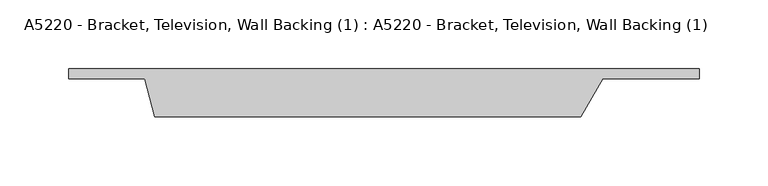
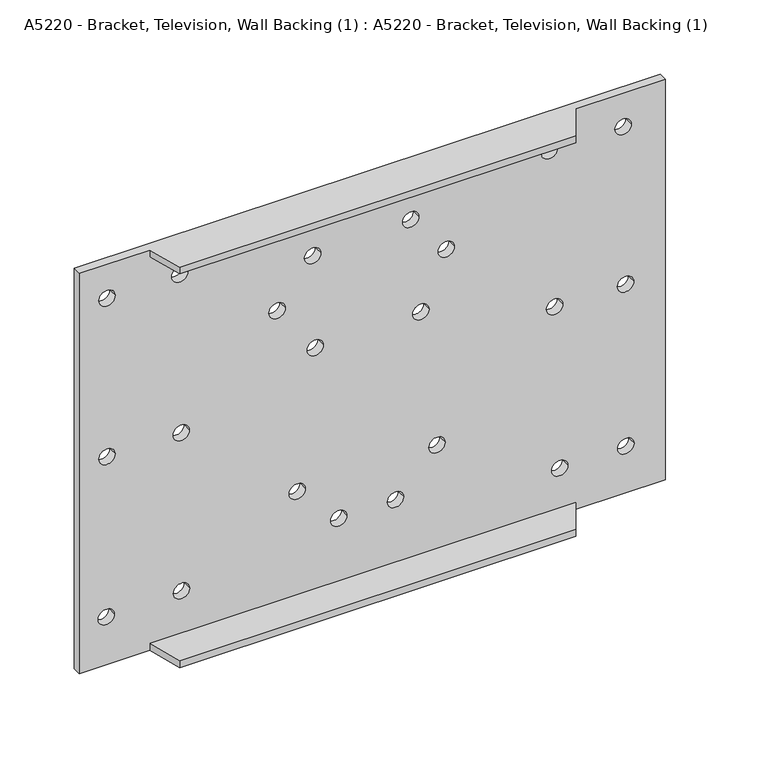
"""IFC4 building model written with IfcOpenShell, lengths in millimetres: proxy geometry, A5220 - Bracket, Television, Wall Backing (1) : A5220 - Bracket, Television, Wall Backing (1)."""

from ifc_helpers import new_model, si_unit, frame, origin, place, context, project, spatial, polyline, circle_curve, source, transform, mapped, element, save
from ifc_brep_helpers import plane_surface, revolved_surface, advanced_brep


def a5220_bracket_television_wall_backing_1_a5220_bracket_9e32a365(model_context):
    return source(origin(), model_context, "Body", "AdvancedBrep", [
        advanced_brep(
        [(228.6, 12.7, 330.2), (-228.6, 12.7, 330.2), (-228.6, 5.5485585, 330.2), (-173.6756868, 5.5485585, 330.2), (-166.3080736, -21.9477481, 330.2), (142.875, -21.9477481, 330.2), (158.75, 5.5485585, 330.2), (228.6, 5.5485585, 330.2), (-228.6, 12.7, 0.0), (228.6, 12.7, 0.0), (228.6, 5.5485585, 0.0), (158.75, 5.5485585, 0.0), (142.875, -21.9477481, 0.0), (-166.3080736, -21.9477481, 0.0), (-173.6756868, 5.5485585, 0.0), (-228.6, 5.5485585, 0.0), (-213.3355963, 12.7, 302.1911266), (-200.6355963, 12.7, 302.1911266), (-156.5770582, 12.7, 302.0248022), (-143.8770582, 12.7, 302.0248022), (-213.3355963, 12.7, 171.5144924), (-200.6355963, 12.7, 171.5144924), (-155.3549178, 12.7, 170.8545094), (-142.6549178, 12.7, 170.8545094), (-213.9955793, 12.7, 39.5178922), (-201.2955793, 12.7, 39.5178922), (-155.2570922, 12.7, 40.4220341), (-142.5570922, 12.7, 40.4220341), (-80.679013, 12.7, 245.4325885), (-67.979013, 12.7, 245.4325885), (-52.959727, 12.7, 281.0716706), (-40.259727, 12.7, 281.0716706), (-50.979778, 12.7, 204.5136425), (-38.279778, 12.7, 204.5136425), (23.5983011, 12.7, 284.1073683), (36.2983011, 12.7, 284.1073683), (51.3175872, 12.7, 249.9264032), (64.0175872, 12.7, 249.9264032), (31.5180972, 12.7, 205.1736255), (44.2180972, 12.7, 205.1736255), (44.0577742, 12.7, 90.9965663), (56.7577742, 12.7, 90.9965663), (11.7186071, 12.7, 57.3374332), (24.4186071, 12.7, 57.3374332), (-32.500254, 12.7, 57.3374332), (-19.800254, 12.7, 57.3374332), (-64.999744, 12.7, 90.8545562), (-52.299744, 12.7, 90.8545562), (139.7553093, 12.7, 38.4729292), (152.4553093, 12.7, 38.4729292), (191.3943064, 12.7, 38.5706497), (204.0943064, 12.7, 38.5706497), (191.1444764, 12.7, 172.1744754), (203.8444764, 12.7, 172.1744754), (135.7954113, 12.7, 172.8344584), (148.4954113, 12.7, 172.8344584), (189.2540344, 12.7, 302.606619), (201.9540344, 12.7, 302.606619), (131.8355133, 12.7, 302.8511096), (144.5355133, 12.7, 302.8511096), (-173.6756868, 5.5485585, 5.7859487), (158.75, 5.5485585, 5.7859487), (158.75, 5.5485585, 324.6987888), (-173.6756868, 5.5485585, 324.6987888), (-200.6355963, 5.5485585, 302.1911266), (-213.3355963, 5.5485585, 302.1911266), (-143.8770582, 5.5485585, 302.0248022), (-156.5770582, 5.5485585, 302.0248022), (-200.6355963, 5.5485585, 171.5144924), (-213.3355963, 5.5485585, 171.5144924), (-142.6549178, 5.5485585, 170.8545094), (-155.3549178, 5.5485585, 170.8545094), (-201.2955793, 5.5485585, 39.5178922), (-213.9955793, 5.5485585, 39.5178922), (-142.5570922, 5.5485585, 40.4220341), (-155.2570922, 5.5485585, 40.4220341), (-67.979013, 5.5485585, 245.4325885), (-80.679013, 5.5485585, 245.4325885), (-40.259727, 5.5485585, 281.0716706), (-52.959727, 5.5485585, 281.0716706), (-38.279778, 5.5485585, 204.5136425), (-50.979778, 5.5485585, 204.5136425), (36.2983011, 5.5485585, 284.1073683), (23.5983011, 5.5485585, 284.1073683), (64.0175872, 5.5485585, 249.9264032), (51.3175872, 5.5485585, 249.9264032), (44.2180972, 5.5485585, 205.1736255), (31.5180972, 5.5485585, 205.1736255), (56.7577742, 5.5485585, 90.9965663), (44.0577742, 5.5485585, 90.9965663), (24.4186071, 5.5485585, 57.3374332), (11.7186071, 5.5485585, 57.3374332), (-19.800254, 5.5485585, 57.3374332), (-32.500254, 5.5485585, 57.3374332), (-52.299744, 5.5485585, 90.8545562), (-64.999744, 5.5485585, 90.8545562), (152.4553093, 5.5485585, 38.4729292), (139.7553093, 5.5485585, 38.4729292), (204.0943064, 5.5485585, 38.5706497), (191.3943064, 5.5485585, 38.5706497), (203.8444764, 5.5485585, 172.1744754), (191.1444764, 5.5485585, 172.1744754), (148.4954113, 5.5485585, 172.8344584), (135.7954113, 5.5485585, 172.8344584), (201.9540344, 5.5485585, 302.606619), (189.2540344, 5.5485585, 302.606619), (144.5355133, 5.5485585, 302.8511096), (131.8355133, 5.5485585, 302.8511096), (142.875, -21.9477481, 324.6987888), (-166.3080736, -21.9477481, 324.6987888), (142.875, -21.9477481, 5.7859487), (-166.3080736, -21.9477481, 5.7859487)],
        [
            (0, 1),
            (1, 2),
            (2, 3),
            (3, 4),
            (4, 5),
            (5, 6),
            (6, 7),
            (7, 0),
            (8, 9),
            (9, 10),
            (10, 11),
            (11, 12),
            (12, 13),
            (13, 14),
            (14, 15),
            (15, 8),
            (1, 8),
            (15, 2),
            (9, 0),
            (7, 10),
            (16, 17, circle_curve(frame((-206.9855963, 12.7, 302.1911266), z_axis=(0.0, -1.0, 0.0), x_axis=(1.0, 0.0, 0.0)), 6.35)),
            (17, 16, circle_curve(frame((-206.9855963, 12.7, 302.1911266), z_axis=(0.0, -1.0, 0.0), x_axis=(1.0, 0.0, 0.0)), 6.35)),
            (18, 19, circle_curve(frame((-150.2270582, 12.7, 302.0248022), z_axis=(0.0, -1.0, 0.0), x_axis=(1.0, 0.0, 0.0)), 6.35)),
            (19, 18, circle_curve(frame((-150.2270582, 12.7, 302.0248022), z_axis=(0.0, -1.0, 0.0), x_axis=(1.0, 0.0, 0.0)), 6.35)),
            (20, 21, circle_curve(frame((-206.9855963, 12.7, 171.5144924), z_axis=(0.0, -1.0, 0.0), x_axis=(1.0, 0.0, 0.0)), 6.35)),
            (21, 20, circle_curve(frame((-206.9855963, 12.7, 171.5144924), z_axis=(0.0, -1.0, 0.0), x_axis=(1.0, 0.0, 0.0)), 6.35)),
            (22, 23, circle_curve(frame((-149.0049178, 12.7, 170.8545094), z_axis=(0.0, -1.0, 0.0), x_axis=(1.0, 0.0, 0.0)), 6.35)),
            (23, 22, circle_curve(frame((-149.0049178, 12.7, 170.8545094), z_axis=(0.0, -1.0, 0.0), x_axis=(1.0, 0.0, 0.0)), 6.35)),
            (24, 25, circle_curve(frame((-207.6455793, 12.7, 39.5178922), z_axis=(0.0, -1.0, 0.0), x_axis=(1.0, 0.0, 0.0)), 6.35)),
            (25, 24, circle_curve(frame((-207.6455793, 12.7, 39.5178922), z_axis=(0.0, -1.0, 0.0), x_axis=(1.0, 0.0, 0.0)), 6.35)),
            (26, 27, circle_curve(frame((-148.9070922, 12.7, 40.4220341), z_axis=(0.0, -1.0, 0.0), x_axis=(1.0, 0.0, 0.0)), 6.35)),
            (27, 26, circle_curve(frame((-148.9070922, 12.7, 40.4220341), z_axis=(0.0, -1.0, 0.0), x_axis=(1.0, 0.0, 0.0)), 6.35)),
            (28, 29, circle_curve(frame((-74.329013, 12.7, 245.4325885), z_axis=(0.0, -1.0, 0.0), x_axis=(1.0, 0.0, 0.0)), 6.35)),
            (29, 28, circle_curve(frame((-74.329013, 12.7, 245.4325885), z_axis=(0.0, -1.0, 0.0), x_axis=(1.0, 0.0, 0.0)), 6.35)),
            (30, 31, circle_curve(frame((-46.609727, 12.7, 281.0716706), z_axis=(0.0, -1.0, 0.0), x_axis=(1.0, 0.0, 0.0)), 6.35)),
            (31, 30, circle_curve(frame((-46.609727, 12.7, 281.0716706), z_axis=(0.0, -1.0, 0.0), x_axis=(1.0, 0.0, 0.0)), 6.35)),
            (32, 33, circle_curve(frame((-44.629778, 12.7, 204.5136425), z_axis=(0.0, -1.0, 0.0), x_axis=(1.0, 0.0, 0.0)), 6.35)),
            (33, 32, circle_curve(frame((-44.629778, 12.7, 204.5136425), z_axis=(0.0, -1.0, 0.0), x_axis=(1.0, 0.0, 0.0)), 6.35)),
            (34, 35, circle_curve(frame((29.9483011, 12.7, 284.1073683), z_axis=(0.0, -1.0, 0.0), x_axis=(1.0, 0.0, 0.0)), 6.35)),
            (35, 34, circle_curve(frame((29.9483011, 12.7, 284.1073683), z_axis=(0.0, -1.0, 0.0), x_axis=(1.0, 0.0, 0.0)), 6.35)),
            (36, 37, circle_curve(frame((57.6675872, 12.7, 249.9264032), z_axis=(0.0, -1.0, 0.0), x_axis=(1.0, 0.0, 0.0)), 6.35)),
            (37, 36, circle_curve(frame((57.6675872, 12.7, 249.9264032), z_axis=(0.0, -1.0, 0.0), x_axis=(1.0, 0.0, 0.0)), 6.35)),
            (38, 39, circle_curve(frame((37.8680972, 12.7, 205.1736255), z_axis=(0.0, -1.0, 0.0), x_axis=(1.0, 0.0, 0.0)), 6.35)),
            (39, 38, circle_curve(frame((37.8680972, 12.7, 205.1736255), z_axis=(0.0, -1.0, 0.0), x_axis=(1.0, 0.0, 0.0)), 6.35)),
            (40, 41, circle_curve(frame((50.4077742, 12.7, 90.9965663), z_axis=(0.0, -1.0, 0.0), x_axis=(1.0, 0.0, 0.0)), 6.35)),
            (41, 40, circle_curve(frame((50.4077742, 12.7, 90.9965663), z_axis=(0.0, -1.0, 0.0), x_axis=(1.0, 0.0, 0.0)), 6.35)),
            (42, 43, circle_curve(frame((18.0686071, 12.7, 57.3374332), z_axis=(0.0, -1.0, 0.0), x_axis=(1.0, 0.0, 0.0)), 6.35)),
            (43, 42, circle_curve(frame((18.0686071, 12.7, 57.3374332), z_axis=(0.0, -1.0, 0.0), x_axis=(1.0, 0.0, 0.0)), 6.35)),
            (44, 45, circle_curve(frame((-26.150254, 12.7, 57.3374332), z_axis=(0.0, -1.0, 0.0), x_axis=(1.0, 0.0, 0.0)), 6.35)),
            (45, 44, circle_curve(frame((-26.150254, 12.7, 57.3374332), z_axis=(0.0, -1.0, 0.0), x_axis=(1.0, 0.0, 0.0)), 6.35)),
            (46, 47, circle_curve(frame((-58.649744, 12.7, 90.8545562), z_axis=(0.0, -1.0, 0.0), x_axis=(1.0, 0.0, 0.0)), 6.35)),
            (47, 46, circle_curve(frame((-58.649744, 12.7, 90.8545562), z_axis=(0.0, -1.0, 0.0), x_axis=(1.0, 0.0, 0.0)), 6.35)),
            (48, 49, circle_curve(frame((146.1053093, 12.7, 38.4729292), z_axis=(0.0, -1.0, 0.0), x_axis=(1.0, 0.0, 0.0)), 6.35)),
            (49, 48, circle_curve(frame((146.1053093, 12.7, 38.4729292), z_axis=(0.0, -1.0, 0.0), x_axis=(1.0, 0.0, 0.0)), 6.35)),
            (50, 51, circle_curve(frame((197.7443064, 12.7, 38.5706497), z_axis=(0.0, -1.0, 0.0), x_axis=(1.0, 0.0, 0.0)), 6.35)),
            (51, 50, circle_curve(frame((197.7443064, 12.7, 38.5706497), z_axis=(0.0, -1.0, 0.0), x_axis=(1.0, 0.0, 0.0)), 6.35)),
            (52, 53, circle_curve(frame((197.4944764, 12.7, 172.1744754), z_axis=(0.0, -1.0, 0.0), x_axis=(1.0, 0.0, 0.0)), 6.35)),
            (53, 52, circle_curve(frame((197.4944764, 12.7, 172.1744754), z_axis=(0.0, -1.0, 0.0), x_axis=(1.0, 0.0, 0.0)), 6.35)),
            (54, 55, circle_curve(frame((142.1454113, 12.7, 172.8344584), z_axis=(0.0, -1.0, 0.0), x_axis=(1.0, 0.0, 0.0)), 6.35)),
            (55, 54, circle_curve(frame((142.1454113, 12.7, 172.8344584), z_axis=(0.0, -1.0, 0.0), x_axis=(1.0, 0.0, 0.0)), 6.35)),
            (56, 57, circle_curve(frame((195.6040344, 12.7, 302.606619), z_axis=(0.0, -1.0, 0.0), x_axis=(1.0, 0.0, 0.0)), 6.35)),
            (57, 56, circle_curve(frame((195.6040344, 12.7, 302.606619), z_axis=(0.0, -1.0, 0.0), x_axis=(1.0, 0.0, 0.0)), 6.35)),
            (58, 59, circle_curve(frame((138.1855133, 12.7, 302.8511096), z_axis=(0.0, -1.0, 0.0), x_axis=(1.0, 0.0, 0.0)), 6.35)),
            (59, 58, circle_curve(frame((138.1855133, 12.7, 302.8511096), z_axis=(0.0, -1.0, 0.0), x_axis=(1.0, 0.0, 0.0)), 6.35)),
            (14, 60),
            (60, 61),
            (61, 11),
            (6, 62),
            (62, 63),
            (63, 3),
            (64, 65, circle_curve(frame((-206.9855963, 5.5485585, 302.1911266), z_axis=(0.0, 1.0, 0.0), x_axis=(1.0, 0.0, 0.0)), 6.35)),
            (65, 64, circle_curve(frame((-206.9855963, 5.5485585, 302.1911266), z_axis=(0.0, 1.0, 0.0), x_axis=(1.0, 0.0, 0.0)), 6.35)),
            (66, 67, circle_curve(frame((-150.2270582, 5.5485585, 302.0248022), z_axis=(0.0, 1.0, 0.0), x_axis=(1.0, 0.0, 0.0)), 6.35)),
            (67, 66, circle_curve(frame((-150.2270582, 5.5485585, 302.0248022), z_axis=(0.0, 1.0, 0.0), x_axis=(1.0, 0.0, 0.0)), 6.35)),
            (68, 69, circle_curve(frame((-206.9855963, 5.5485585, 171.5144924), z_axis=(0.0, 1.0, 0.0), x_axis=(1.0, 0.0, 0.0)), 6.35)),
            (69, 68, circle_curve(frame((-206.9855963, 5.5485585, 171.5144924), z_axis=(0.0, 1.0, 0.0), x_axis=(1.0, 0.0, 0.0)), 6.35)),
            (70, 71, circle_curve(frame((-149.0049178, 5.5485585, 170.8545094), z_axis=(0.0, 1.0, 0.0), x_axis=(1.0, 0.0, 0.0)), 6.35)),
            (71, 70, circle_curve(frame((-149.0049178, 5.5485585, 170.8545094), z_axis=(0.0, 1.0, 0.0), x_axis=(1.0, 0.0, 0.0)), 6.35)),
            (72, 73, circle_curve(frame((-207.6455793, 5.5485585, 39.5178922), z_axis=(0.0, 1.0, 0.0), x_axis=(1.0, 0.0, 0.0)), 6.35)),
            (73, 72, circle_curve(frame((-207.6455793, 5.5485585, 39.5178922), z_axis=(0.0, 1.0, 0.0), x_axis=(1.0, 0.0, 0.0)), 6.35)),
            (74, 75, circle_curve(frame((-148.9070922, 5.5485585, 40.4220341), z_axis=(0.0, 1.0, 0.0), x_axis=(1.0, 0.0, 0.0)), 6.35)),
            (75, 74, circle_curve(frame((-148.9070922, 5.5485585, 40.4220341), z_axis=(0.0, 1.0, 0.0), x_axis=(1.0, 0.0, 0.0)), 6.35)),
            (76, 77, circle_curve(frame((-74.329013, 5.5485585, 245.4325885), z_axis=(0.0, 1.0, 0.0), x_axis=(1.0, 0.0, 0.0)), 6.35)),
            (77, 76, circle_curve(frame((-74.329013, 5.5485585, 245.4325885), z_axis=(0.0, 1.0, 0.0), x_axis=(1.0, 0.0, 0.0)), 6.35)),
            (78, 79, circle_curve(frame((-46.609727, 5.5485585, 281.0716706), z_axis=(0.0, 1.0, 0.0), x_axis=(1.0, 0.0, 0.0)), 6.35)),
            (79, 78, circle_curve(frame((-46.609727, 5.5485585, 281.0716706), z_axis=(0.0, 1.0, 0.0), x_axis=(1.0, 0.0, 0.0)), 6.35)),
            (80, 81, circle_curve(frame((-44.629778, 5.5485585, 204.5136425), z_axis=(0.0, 1.0, 0.0), x_axis=(1.0, 0.0, 0.0)), 6.35)),
            (81, 80, circle_curve(frame((-44.629778, 5.5485585, 204.5136425), z_axis=(0.0, 1.0, 0.0), x_axis=(1.0, 0.0, 0.0)), 6.35)),
            (82, 83, circle_curve(frame((29.9483011, 5.5485585, 284.1073683), z_axis=(0.0, 1.0, 0.0), x_axis=(1.0, 0.0, 0.0)), 6.35)),
            (83, 82, circle_curve(frame((29.9483011, 5.5485585, 284.1073683), z_axis=(0.0, 1.0, 0.0), x_axis=(1.0, 0.0, 0.0)), 6.35)),
            (84, 85, circle_curve(frame((57.6675872, 5.5485585, 249.9264032), z_axis=(0.0, 1.0, 0.0), x_axis=(1.0, 0.0, 0.0)), 6.35)),
            (85, 84, circle_curve(frame((57.6675872, 5.5485585, 249.9264032), z_axis=(0.0, 1.0, 0.0), x_axis=(1.0, 0.0, 0.0)), 6.35)),
            (86, 87, circle_curve(frame((37.8680972, 5.5485585, 205.1736255), z_axis=(0.0, 1.0, 0.0), x_axis=(1.0, 0.0, 0.0)), 6.35)),
            (87, 86, circle_curve(frame((37.8680972, 5.5485585, 205.1736255), z_axis=(0.0, 1.0, 0.0), x_axis=(1.0, 0.0, 0.0)), 6.35)),
            (88, 89, circle_curve(frame((50.4077742, 5.5485585, 90.9965663), z_axis=(0.0, 1.0, 0.0), x_axis=(1.0, 0.0, 0.0)), 6.35)),
            (89, 88, circle_curve(frame((50.4077742, 5.5485585, 90.9965663), z_axis=(0.0, 1.0, 0.0), x_axis=(1.0, 0.0, 0.0)), 6.35)),
            (90, 91, circle_curve(frame((18.0686071, 5.5485585, 57.3374332), z_axis=(0.0, 1.0, 0.0), x_axis=(1.0, 0.0, 0.0)), 6.35)),
            (91, 90, circle_curve(frame((18.0686071, 5.5485585, 57.3374332), z_axis=(0.0, 1.0, 0.0), x_axis=(1.0, 0.0, 0.0)), 6.35)),
            (92, 93, circle_curve(frame((-26.150254, 5.5485585, 57.3374332), z_axis=(0.0, 1.0, 0.0), x_axis=(1.0, 0.0, 0.0)), 6.35)),
            (93, 92, circle_curve(frame((-26.150254, 5.5485585, 57.3374332), z_axis=(0.0, 1.0, 0.0), x_axis=(1.0, 0.0, 0.0)), 6.35)),
            (94, 95, circle_curve(frame((-58.649744, 5.5485585, 90.8545562), z_axis=(0.0, 1.0, 0.0), x_axis=(1.0, 0.0, 0.0)), 6.35)),
            (95, 94, circle_curve(frame((-58.649744, 5.5485585, 90.8545562), z_axis=(0.0, 1.0, 0.0), x_axis=(1.0, 0.0, 0.0)), 6.35)),
            (96, 97, circle_curve(frame((146.1053093, 5.5485585, 38.4729292), z_axis=(0.0, 1.0, 0.0), x_axis=(1.0, 0.0, 0.0)), 6.35)),
            (97, 96, circle_curve(frame((146.1053093, 5.5485585, 38.4729292), z_axis=(0.0, 1.0, 0.0), x_axis=(1.0, 0.0, 0.0)), 6.35)),
            (98, 99, circle_curve(frame((197.7443064, 5.5485585, 38.5706497), z_axis=(0.0, 1.0, 0.0), x_axis=(1.0, 0.0, 0.0)), 6.35)),
            (99, 98, circle_curve(frame((197.7443064, 5.5485585, 38.5706497), z_axis=(0.0, 1.0, 0.0), x_axis=(1.0, 0.0, 0.0)), 6.35)),
            (100, 101, circle_curve(frame((197.4944764, 5.5485585, 172.1744754), z_axis=(0.0, 1.0, 0.0), x_axis=(1.0, 0.0, 0.0)), 6.35)),
            (101, 100, circle_curve(frame((197.4944764, 5.5485585, 172.1744754), z_axis=(0.0, 1.0, 0.0), x_axis=(1.0, 0.0, 0.0)), 6.35)),
            (102, 103, circle_curve(frame((142.1454113, 5.5485585, 172.8344584), z_axis=(0.0, 1.0, 0.0), x_axis=(1.0, 0.0, 0.0)), 6.35)),
            (103, 102, circle_curve(frame((142.1454113, 5.5485585, 172.8344584), z_axis=(0.0, 1.0, 0.0), x_axis=(1.0, 0.0, 0.0)), 6.35)),
            (104, 105, circle_curve(frame((195.6040344, 5.5485585, 302.606619), z_axis=(0.0, 1.0, 0.0), x_axis=(1.0, 0.0, 0.0)), 6.35)),
            (105, 104, circle_curve(frame((195.6040344, 5.5485585, 302.606619), z_axis=(0.0, 1.0, 0.0), x_axis=(1.0, 0.0, 0.0)), 6.35)),
            (106, 107, circle_curve(frame((138.1855133, 5.5485585, 302.8511096), z_axis=(0.0, 1.0, 0.0), x_axis=(1.0, 0.0, 0.0)), 6.35)),
            (107, 106, circle_curve(frame((138.1855133, 5.5485585, 302.8511096), z_axis=(0.0, 1.0, 0.0), x_axis=(1.0, 0.0, 0.0)), 6.35)),
            (16, 65),
            (64, 17),
            (18, 67),
            (66, 19),
            (20, 69),
            (68, 21),
            (22, 71),
            (70, 23),
            (24, 73),
            (72, 25),
            (26, 75),
            (74, 27),
            (28, 77),
            (76, 29),
            (30, 79),
            (78, 31),
            (32, 81),
            (80, 33),
            (34, 83),
            (82, 35),
            (36, 85),
            (84, 37),
            (38, 87),
            (86, 39),
            (40, 89),
            (88, 41),
            (42, 91),
            (90, 43),
            (44, 93),
            (92, 45),
            (46, 95),
            (94, 47),
            (48, 97),
            (96, 49),
            (50, 99),
            (98, 51),
            (52, 101),
            (100, 53),
            (54, 103),
            (102, 55),
            (56, 105),
            (104, 57),
            (58, 107),
            (106, 59),
            (108, 109),
            (109, 63),
            (62, 108),
            (5, 108),
            (109, 4),
            (110, 61),
            (60, 111),
            (111, 110),
            (110, 12),
            (13, 111),
        ],
        [
            plane_surface(frame((-228.6, 0.0, 330.2), z_axis=(0.0, 0.0, 1.0), x_axis=(0.0, -1.0, 0.0))),
            plane_surface(frame((-228.6, 0.0, 0.0), z_axis=(0.0, 0.0, -1.0), x_axis=(0.0, 1.0, 0.0))),
            plane_surface(frame((-228.6, 12.7, 330.2), z_axis=(-1.0, 0.0, 0.0), x_axis=(0.0, 0.0, -1.0))),
            plane_surface(frame((228.6, -12.7, 330.2), z_axis=(1.0, 0.0, 0.0), x_axis=(0.0, 0.0, -1.0))),
            plane_surface(frame((228.6, 12.7, 330.2), z_axis=(0.0, 1.0, 0.0), x_axis=(0.0, 0.0, -1.0))),
            plane_surface(frame((-228.6, 5.5485585, 330.2), z_axis=(0.0, -1.0, 0.0), x_axis=(1.0, 0.0, 0.0))),
            revolved_surface(polyline([(-200.6355963, 5.548558500000013, 302.1911266), (-200.6355963, 12.699999999999989, 302.1911266)]), (-206.9855963, 174.6255709, 302.1911266), (0.0, -1.0, 0.0)),
            revolved_surface(polyline([(-143.8770582, 5.5485585, 302.0248022), (-143.8770582, 12.7, 302.0248022)]), (-150.2270582, 0.0, 302.0248022), (0.0, -1.0, 0.0)),
            revolved_surface(polyline([(-200.6355963, 5.5485585, 171.5144924), (-200.6355963, 12.7, 171.5144924)]), (-206.9855963, 0.0, 171.5144924), (0.0, -1.0, 0.0)),
            revolved_surface(polyline([(-142.6549178, 5.5485585, 170.8545094), (-142.6549178, 12.7, 170.8545094)]), (-149.0049178, 0.0, 170.8545094), (0.0, -1.0, 0.0)),
            revolved_surface(polyline([(-201.2955793, 5.5485585, 39.5178922), (-201.2955793, 12.7, 39.5178922)]), (-207.6455793, 0.0, 39.5178922), (0.0, -1.0, 0.0)),
            revolved_surface(polyline([(-142.5570922, 5.5485585, 40.4220341), (-142.5570922, 12.7, 40.4220341)]), (-148.9070922, 0.0, 40.4220341), (0.0, -1.0, 0.0)),
            revolved_surface(polyline([(-67.97901300000001, 5.5485585, 245.4325885), (-67.97901300000001, 12.7, 245.4325885)]), (-74.329013, 0.0, 245.4325885), (0.0, -1.0, 0.0)),
            revolved_surface(polyline([(-40.259727, 5.5485585, 281.0716706), (-40.259727, 12.7, 281.0716706)]), (-46.609727, 0.0, 281.0716706), (0.0, -1.0, 0.0)),
            revolved_surface(polyline([(-38.279778, 5.5485585, 204.5136425), (-38.279778, 12.7, 204.5136425)]), (-44.629778, 0.0, 204.5136425), (0.0, -1.0, 0.0)),
            revolved_surface(polyline([(36.298301099999996, 5.5485585, 284.1073683), (36.298301099999996, 12.7, 284.1073683)]), (29.9483011, 0.0, 284.1073683), (0.0, -1.0, 0.0)),
            revolved_surface(polyline([(64.0175872, 5.5485585, 249.9264032), (64.0175872, 12.7, 249.9264032)]), (57.6675872, 0.0, 249.9264032), (0.0, -1.0, 0.0)),
            revolved_surface(polyline([(44.2180972, 5.5485585, 205.1736255), (44.2180972, 12.7, 205.1736255)]), (37.8680972, 0.0, 205.1736255), (0.0, -1.0, 0.0)),
            revolved_surface(polyline([(56.7577742, 5.5485585, 90.9965663), (56.7577742, 12.7, 90.9965663)]), (50.4077742, 0.0, 90.9965663), (0.0, -1.0, 0.0)),
            revolved_surface(polyline([(24.418607100000003, 5.5485585, 57.3374332), (24.418607100000003, 12.7, 57.3374332)]), (18.0686071, 0.0, 57.3374332), (0.0, -1.0, 0.0)),
            revolved_surface(polyline([(-19.800254000000002, 5.5485585, 57.3374332), (-19.800254000000002, 12.7, 57.3374332)]), (-26.150254, 0.0, 57.3374332), (0.0, -1.0, 0.0)),
            revolved_surface(polyline([(-52.299744, 5.5485585, 90.8545562), (-52.299744, 12.7, 90.8545562)]), (-58.649744, 0.0, 90.8545562), (0.0, -1.0, 0.0)),
            revolved_surface(polyline([(152.45530929999998, 5.5485585, 38.4729292), (152.45530929999998, 12.7, 38.4729292)]), (146.1053093, 0.0, 38.4729292), (0.0, -1.0, 0.0)),
            revolved_surface(polyline([(204.0943064, 5.5485585, 38.5706497), (204.0943064, 12.7, 38.5706497)]), (197.7443064, 0.0, 38.5706497), (0.0, -1.0, 0.0)),
            revolved_surface(polyline([(203.8444764, 5.5485585, 172.1744754), (203.8444764, 12.7, 172.1744754)]), (197.4944764, 0.0, 172.1744754), (0.0, -1.0, 0.0)),
            revolved_surface(polyline([(148.4954113, 5.5485585, 172.8344584), (148.4954113, 12.7, 172.8344584)]), (142.1454113, 0.0, 172.8344584), (0.0, -1.0, 0.0)),
            revolved_surface(polyline([(201.95403439999998, 5.5485585, 302.606619), (201.95403439999998, 12.7, 302.606619)]), (195.6040344, 0.0, 302.606619), (0.0, -1.0, 0.0)),
            revolved_surface(polyline([(144.5355133, 5.5485585, 302.8511096), (144.5355133, 12.7, 302.8511096)]), (138.1855133, 0.0, 302.8511096), (0.0, -1.0, 0.0)),
            plane_surface(frame((158.75, 5.5485585, 324.6987888), z_axis=(0.0, 0.0, -1.0), x_axis=(-0.5000000000000011, -0.866025403784438, 0.0))),
            plane_surface(frame((142.875, -21.9477481, 330.2), z_axis=(0.866025403784438, -0.5000000000000011, 0.0), x_axis=(0.0, 0.0, -1.0))),
            plane_surface(frame((-173.6756868, 5.5485585, 330.2), z_axis=(-0.9659258262890689, -0.25881904510251863, 0.0), x_axis=(0.0, 0.0, -1.0))),
            plane_surface(frame((-166.3080736, -21.9477481, 330.2), z_axis=(0.0, -1.0, 0.0), x_axis=(0.0, 0.0, -1.0))),
            plane_surface(frame((158.75, 5.5485585, 5.7859487), z_axis=(0.0, 0.0, 1.0), x_axis=(0.5000000000000011, 0.866025403784438, 0.0))),
            plane_surface(frame((142.875, -21.9477481, 5.7859487), z_axis=(0.866025403784438, -0.5000000000000011, 0.0), x_axis=(0.0, 0.0, -1.0))),
            plane_surface(frame((-173.6756868, 5.5485585, 5.7859487), z_axis=(-0.9659258262890689, -0.25881904510251863, 0.0), x_axis=(0.0, 0.0, -1.0))),
            plane_surface(frame((-166.3080736, -21.9477481, 5.7859487), z_axis=(0.0, -1.0, 0.0), x_axis=(0.0, 0.0, -1.0))),
        ],
        [
            (0, [[1, 2, 3, 4, 5, 6, 7, 8]]),
            (1, [[9, 10, 11, 12, 13, 14, 15, 16]]),
            (2, [[17, -16, 18, -2]]),
            (3, [[19, -8, 20, -10]]),
            (4, [[-1, -19, -9, -17], [21, 22], [23, 24], [25, 26], [27, 28], [29, 30], [31, 32], [33, 34], [35, 36], [37, 38], [39, 40], [41, 42], [43, 44], [45, 46], [47, 48], [49, 50], [51, 52], [53, 54], [55, 56], [57, 58], [59, 60], [61, 62], [63, 64]]),
            (5, [[-18, -15, 65, 66, 67, -11, -20, -7, 68, 69, 70, -3], [71, 72], [73, 74], [75, 76], [77, 78], [79, 80], [81, 82], [83, 84], [85, 86], [87, 88], [89, 90], [91, 92], [93, 94], [95, 96], [97, 98], [99, 100], [101, 102], [103, 104], [105, 106], [107, 108], [109, 110], [111, 112], [113, 114]]),
            (6, [[115, -71, 116, -21]]),
            (6, [[-115, -22, -116, -72]]),
            (7, [[117, -73, 118, -23]]),
            (7, [[-117, -24, -118, -74]]),
            (8, [[119, -75, 120, -25]]),
            (8, [[-119, -26, -120, -76]]),
            (9, [[121, -77, 122, -27]]),
            (9, [[-121, -28, -122, -78]]),
            (10, [[123, -79, 124, -29]]),
            (10, [[-123, -30, -124, -80]]),
            (11, [[125, -81, 126, -31]]),
            (11, [[-125, -32, -126, -82]]),
            (12, [[127, -83, 128, -33]]),
            (12, [[-127, -34, -128, -84]]),
            (13, [[129, -85, 130, -35]]),
            (13, [[-129, -36, -130, -86]]),
            (14, [[131, -87, 132, -37]]),
            (14, [[-131, -38, -132, -88]]),
            (15, [[133, -89, 134, -39]]),
            (15, [[-133, -40, -134, -90]]),
            (16, [[135, -91, 136, -41]]),
            (16, [[-135, -42, -136, -92]]),
            (17, [[137, -93, 138, -43]]),
            (17, [[-137, -44, -138, -94]]),
            (18, [[139, -95, 140, -45]]),
            (18, [[-139, -46, -140, -96]]),
            (19, [[141, -97, 142, -47]]),
            (19, [[-141, -48, -142, -98]]),
            (20, [[143, -99, 144, -49]]),
            (20, [[-143, -50, -144, -100]]),
            (21, [[145, -101, 146, -51]]),
            (21, [[-145, -52, -146, -102]]),
            (22, [[147, -103, 148, -53]]),
            (22, [[-147, -54, -148, -104]]),
            (23, [[149, -105, 150, -55]]),
            (23, [[-149, -56, -150, -106]]),
            (24, [[151, -107, 152, -57]]),
            (24, [[-151, -58, -152, -108]]),
            (25, [[153, -109, 154, -59]]),
            (25, [[-153, -60, -154, -110]]),
            (26, [[155, -111, 156, -61]]),
            (26, [[-155, -62, -156, -112]]),
            (27, [[157, -113, 158, -63]]),
            (27, [[-157, -64, -158, -114]]),
            (28, [[159, 160, -69, 161]]),
            (29, [[-6, 162, -161, -68]]),
            (30, [[-4, -70, -160, 163]]),
            (31, [[-5, -163, -159, -162]]),
            (32, [[164, -66, 165, 166]]),
            (33, [[-164, 167, -12, -67]]),
            (34, [[-165, -65, -14, 168]]),
            (35, [[-166, -168, -13, -167]]),
        ],
    ),
    ])


if __name__ == "__main__":
    model = new_model("IFC4")
    model_context = context("Model", 3, world=origin())
    ifc_project = project(units=[si_unit("LENGTHUNIT", "METRE", prefix="MILLI")], contexts=[model_context])
    site = spatial("IfcSite", under=ifc_project)
    building = spatial("IfcBuilding", under=site)
    placement = place(None, origin())
    a5220_bracket_television_wall_backing_1_a5220_bracket_shape = a5220_bracket_television_wall_backing_1_a5220_bracket_9e32a365(model_context)
    element("IfcBuildingElementProxy", 1, Name="A5220 - Bracket, Television, Wall Backing (1) : A5220 - Bracket, Television, Wall Backing (1)", ObjectType="A5220 - Bracket, Television, Wall Backing (1) : A5220 - Bracket, Television, Wall Backing (1)", at=placement, inside=building, context=model_context, shape_type="MappedRepresentation", body=[
        mapped(a5220_bracket_television_wall_backing_1_a5220_bracket_shape, transform((0.0, 0.0, 0.0), x_axis=(1.0, 0.0, 0.0), y_axis=(0.0, 1.0, 0.0), z_axis=(0.0, 0.0, 1.0))),
    ])
    save(model, "model.ifc")
